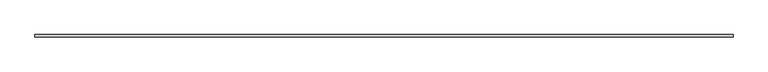
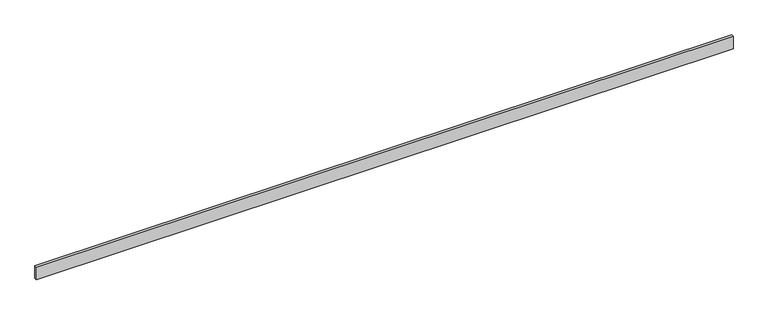
"""IFC4 building model written with IfcOpenShell, lengths in millimetres: beam geometry."""

from ifc_helpers import new_model, si_unit, frame, origin, place, context, project, spatial, polyline, outline, extrude, source, transform, mapped, element, save


def beam_e8f9b7bb(model_context):
    return source(origin(), model_context, "Body", "SweptSolid", [
        extrude(outline(polyline([(5209.2, -18.0), (-5209.2, -18.0), (-5209.2, 18.0), (5209.2, 18.0), (5209.2, -18.0)])), frame((0.0, 0.0, -100.0), z_axis=(0.0, 0.0, 1.0), x_axis=(1.0, 0.0, 0.0)), (0.0, 0.0, 1.0), 200.0),
    ])


if __name__ == "__main__":
    model = new_model("IFC4")
    model_context = context("Model", 3, world=origin())
    ifc_project = project(units=[si_unit("LENGTHUNIT", "METRE", prefix="MILLI")], contexts=[model_context])
    site = spatial("IfcSite", under=ifc_project)
    building = spatial("IfcBuilding", under=site)
    placement = place(None, origin())
    beam_shape = beam_e8f9b7bb(model_context)
    element("IfcBeam", 1, at=placement, inside=building, context=model_context, shape_type="MappedRepresentation", body=[
        mapped(beam_shape, transform((0.0, 0.0, 0.0), x_axis=(1.0, 0.0, 0.0), y_axis=(0.0, 1.0, 0.0), z_axis=(0.0, 0.0, 1.0))),
    ])
    save(model, "model.ifc")
